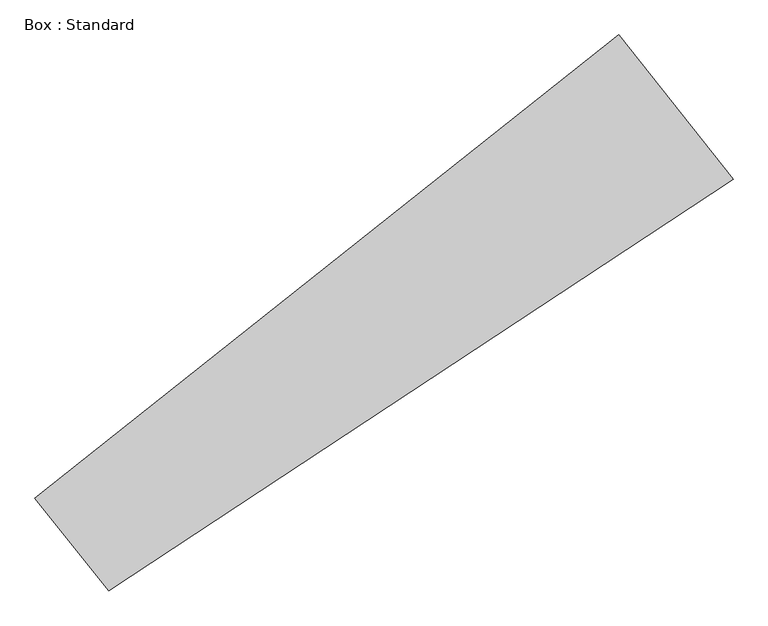
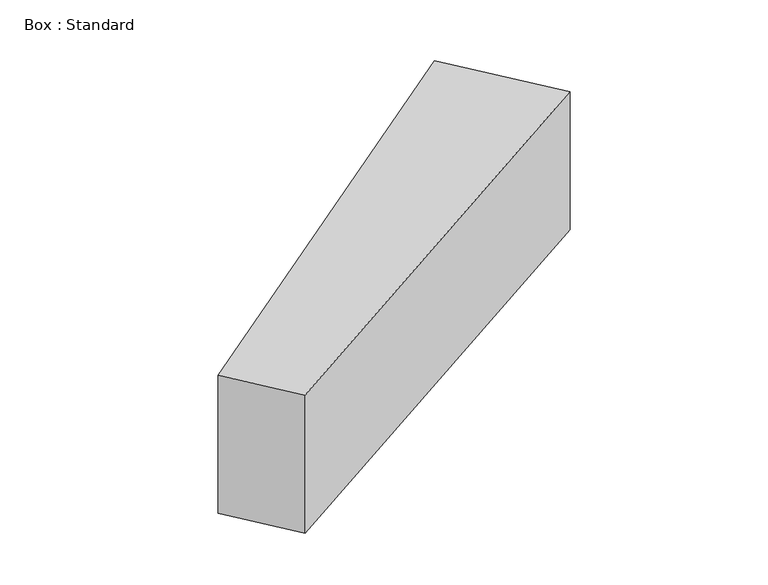
"""IFC4 building model written with IfcOpenShell, lengths in millimetres: plate geometry, Box : Standard."""

from ifc_helpers import new_model, si_unit, frame, origin, place, context, project, spatial, polyline, outline, extrude, source, transform, mapped, element, save


def box_standard_0478e435(model_context):
    return source(origin(), model_context, "Body", "SweptSolid", [
        extrude(outline(polyline([(3053.3238327, 3053.3238327), (2631.274258, 3585.3693304), (5974.3632924, 6237.3028794), (6629.0386169, 5412.0039576), (3053.3238327, 3053.3238327)])), frame((0.0, 0.0, -1219.2), z_axis=(0.0, 0.0, 1.0), x_axis=(1.0, 0.0, 0.0)), (0.0, 0.0, 1.0), 1219.2),
    ])


if __name__ == "__main__":
    model = new_model("IFC4")
    model_context = context("Model", 3, world=origin())
    ifc_project = project(units=[si_unit("LENGTHUNIT", "METRE", prefix="MILLI")], contexts=[model_context])
    site = spatial("IfcSite", under=ifc_project)
    building = spatial("IfcBuilding", under=site)
    placement = place(None, origin())
    box_standard_shape = box_standard_0478e435(model_context)
    element("IfcPlate", 1, ObjectType="Box : Standard", at=placement, inside=building, context=model_context, shape_type="MappedRepresentation", body=[
        mapped(box_standard_shape, transform((0.0, 0.0, 0.0), x_axis=(1.0, 0.0, 0.0), y_axis=(0.0, 1.0, 0.0), z_axis=(0.0, 0.0, 1.0))),
    ])
    save(model, "model.ifc")
